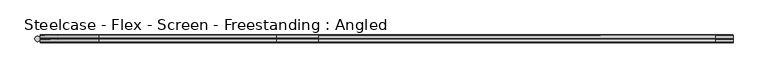
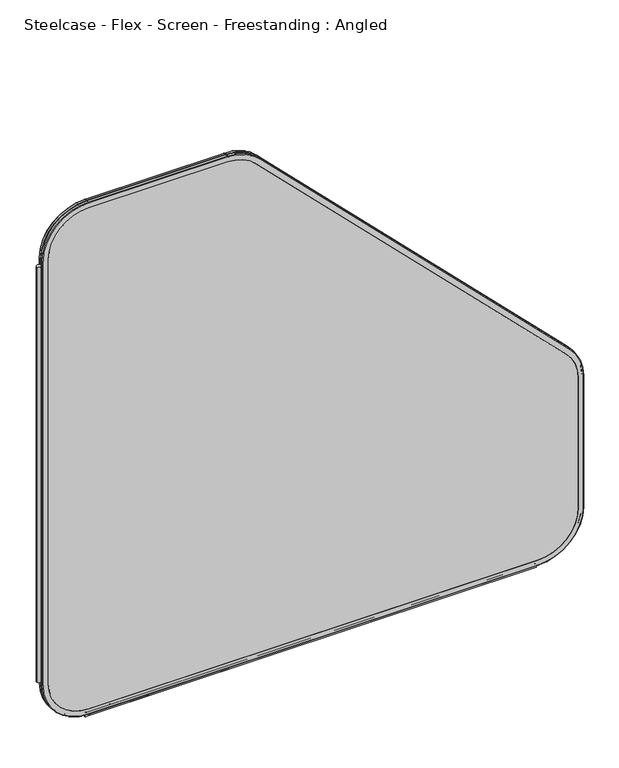
"""IFC4 building model written with IfcOpenShell, lengths in millimetres: furniture geometry, Steelcase - Flex - Screen - Freestanding : Angled."""

from ifc_helpers import new_model, si_unit, point, frame, frame_2d, origin, place, context, project, spatial, polyline, circle_curve, ellipse_curve, trimmed, segment, composite_curve, outline, extrude, source, transform, mapped, element, save
from ifc_brep_helpers import plane_surface, cylinder_surface, revolved_surface, advanced_brep


def steelcase_flex_screen_freestanding_angled_922b77e2(model_context):
    return source(origin(), model_context, "Body", "SolidModel", [
        extrude(outline(composite_curve([segment(trimmed(circle_curve(frame_2d((4.5307839, 0.0)), 4.572), [point((-0.0412161, 0.0))], [point((9.1027839, 0.0))], False, "CARTESIAN"), True, "CONTINUOUS"), segment(trimmed(circle_curve(frame_2d((4.5307839, 0.0)), 4.572), [point((9.1027839, 0.0))], [point((-0.0412161, 0.0))], False, "CARTESIAN"), True, "CONTINUOUS")], self_intersect=False)), frame((0.0, 0.0, 115.57), z_axis=(0.0, 0.0, 1.0), x_axis=(1.0, 0.0, 0.0)), (0.0, 0.0, 1.0), 969.9585855),
        advanced_brep(
        [(110.7653521, -5.9845715, 4.9996464), (110.7653521, -6.858, 5.8730749), (10.0387806, -6.858, 106.5996464), (9.1653521, -5.9845715, 106.5996464), (110.7653521, -0.762, 4.9996464), (9.1653521, -0.762, 106.5996464), (110.7653521, 0.0, 5.7616464), (9.9273521, 0.0, 106.5996464), (110.7653521, -6.858, 17.6996464), (110.7653521, 0.0, 17.6996464), (21.8653521, 0.0, 106.5996464), (21.8653521, -6.858, 106.5996464), (1103.6053316, -5.9845715, 4.9996464), (1103.6053316, -6.858, 5.8730749), (1103.6053316, -0.762, 4.9996464), (1103.6053316, 0.0, 5.7616464), (1103.6053316, -6.858, 17.6996464), (1103.6053316, 0.0, 17.6996464), (1205.2053316, -5.9845715, 106.5996464), (1204.3319031, -6.858, 106.5996464), (1205.2053316, -0.762, 106.5996464), (1204.4433316, 0.0, 106.5996464), (1192.5053316, -6.858, 106.5996464), (1192.5053316, 0.0, 106.5996464), (1205.2053316, -5.9845715, 413.7098783), (1204.3319031, -6.858, 413.7098783), (1205.2053316, -0.762, 413.7098783), (1204.4433316, 0.0, 413.7098783), (1192.5053316, -6.858, 413.7098783), (1192.5053316, 0.0, 413.7098783), (1175.4473806, -5.9845715, 485.5519272), (1174.8297734, -6.858, 484.93432), (1175.4473806, -0.762, 485.5519272), (1174.9085652, 0.0, 485.0131119), (1166.4671245, -6.858, 476.5716711), (1166.4671245, 0.0, 476.5716711), (489.6586733, -5.9845715, 1171.3406345), (489.0410661, -6.858, 1170.7230273), (489.6586733, -0.762, 1171.3406345), (489.119858, 0.0, 1170.8018191), (480.6784172, -6.858, 1162.3603784), (480.6784172, 0.0, 1162.3603784), (417.8166244, -5.9845715, 1201.0985855), (417.8166244, -6.858, 1200.225157), (417.8166244, -0.762, 1201.0985855), (417.8166244, 0.0, 1200.3365855), (417.8166244, -6.858, 1188.3985855), (417.8166244, 0.0, 1188.3985855), (110.7653521, -5.9845715, 1201.0985855), (110.7653521, -6.858, 1200.225157), (110.7653521, -0.762, 1201.0985855), (110.7653521, 0.0, 1200.3365855), (110.7653521, -6.858, 1188.3985855), (110.7653521, 0.0, 1188.3985855), (9.1653521, -5.9845715, 1099.4985855), (10.0387806, -6.858, 1099.4985855), (9.1653521, -0.762, 1099.4985855), (9.9273521, 0.0, 1099.4985855), (21.8653521, -6.858, 1099.4985855), (21.8653521, 0.0, 1099.4985855)],
        [
            (0, 1, circle_curve(frame((110.7653521, -5.9845715, 5.8730749), z_axis=(-1.0, 0.0, 0.0), x_axis=(0.0, 1.0, 0.0)), 0.8734285)),
            (1, 2, circle_curve(frame((110.7653521, -6.858, 106.5996464), z_axis=(0.0, 1.0, 0.0), x_axis=(-1.0, 0.0, 0.0)), 100.7265715)),
            (2, 3, circle_curve(frame((10.0387806, -5.9845715, 106.5996464), z_axis=(0.0, 0.0, -1.0), x_axis=(0.0, 1.0, 0.0)), 0.8734285)),
            (3, 0, circle_curve(frame((110.7653521, -5.9845715, 106.5996464), z_axis=(0.0, -1.0, 0.0), x_axis=(-1.0, 0.0, 0.0)), 101.6)),
            (4, 0),
            (3, 5),
            (5, 4, circle_curve(frame((110.7653521, -0.762, 106.5996464), z_axis=(0.0, -1.0, 0.0), x_axis=(-1.0, 0.0, 0.0)), 101.6)),
            (6, 4, circle_curve(frame((110.7653521, -0.762, 5.7616464), z_axis=(-1.0, 0.0, 0.0), x_axis=(0.0, 1.0, 0.0)), 0.762)),
            (5, 7, circle_curve(frame((9.9273521, -0.762, 106.5996464), z_axis=(0.0, 0.0, -1.0), x_axis=(0.0, 1.0, 0.0)), 0.762)),
            (7, 6, circle_curve(frame((110.7653521, 0.0, 106.5996464), z_axis=(0.0, -1.0, 0.0), x_axis=(-1.0, 0.0, 0.0)), 100.838)),
            (8, 9),
            (9, 10, circle_curve(frame((110.7653521, 0.0, 106.5996464), z_axis=(0.0, 1.0, 0.0), x_axis=(-1.0, 0.0, 0.0)), 88.9)),
            (10, 11),
            (11, 8, circle_curve(frame((110.7653521, -6.858, 106.5996464), z_axis=(0.0, -1.0, 0.0), x_axis=(-1.0, 0.0, 0.0)), 88.9)),
            (0, 12),
            (12, 13, circle_curve(frame((1103.6053316, -5.9845715, 5.8730749), z_axis=(-1.0, 0.0, 0.0), x_axis=(0.0, 1.0, 0.0)), 0.8734285)),
            (13, 1),
            (4, 14),
            (14, 12),
            (6, 15),
            (15, 14, circle_curve(frame((1103.6053316, -0.762, 5.7616464), z_axis=(-1.0, 0.0, 0.0), x_axis=(0.0, 1.0, 0.0)), 0.762)),
            (8, 16),
            (16, 17),
            (17, 9),
            (18, 19, circle_curve(frame((1204.3319031, -5.9845715, 106.5996464), z_axis=(0.0, 0.0, -1.0), x_axis=(0.0, 1.0, 0.0)), 0.8734285)),
            (19, 13, circle_curve(frame((1103.6053316, -6.858, 106.5996464), z_axis=(0.0, 1.0, 0.0), x_axis=(0.0, 0.0, -1.0)), 100.7265715)),
            (12, 18, circle_curve(frame((1103.6053316, -5.9845715, 106.5996464), z_axis=(0.0, -1.0, 0.0), x_axis=(0.0, 0.0, -1.0)), 101.6)),
            (20, 18),
            (14, 20, circle_curve(frame((1103.6053316, -0.762, 106.5996464), z_axis=(0.0, -1.0, 0.0), x_axis=(0.0, 0.0, -1.0)), 101.6)),
            (21, 20, circle_curve(frame((1204.4433316, -0.762, 106.5996464), z_axis=(0.0, 0.0, -1.0), x_axis=(0.0, 1.0, 0.0)), 0.762)),
            (15, 21, circle_curve(frame((1103.6053316, 0.0, 106.5996464), z_axis=(0.0, -1.0, 0.0), x_axis=(0.0, 0.0, -1.0)), 100.838)),
            (22, 23),
            (23, 17, circle_curve(frame((1103.6053316, 0.0, 106.5996464), z_axis=(0.0, 1.0, 0.0), x_axis=(0.0, 0.0, -1.0)), 88.9)),
            (16, 22, circle_curve(frame((1103.6053316, -6.858, 106.5996464), z_axis=(0.0, -1.0, 0.0), x_axis=(0.0, 0.0, -1.0)), 88.9)),
            (18, 24),
            (24, 25, circle_curve(frame((1204.3319031, -5.9845715, 413.7098783), z_axis=(0.0, 0.0, -1.0), x_axis=(0.0, 1.0, 0.0)), 0.8734285)),
            (25, 19),
            (20, 26),
            (26, 24),
            (21, 27),
            (27, 26, circle_curve(frame((1204.4433316, -0.762, 413.7098783), z_axis=(0.0, 0.0, -1.0), x_axis=(0.0, 1.0, 0.0)), 0.762)),
            (22, 28),
            (28, 29),
            (29, 23),
            (30, 31, circle_curve(frame((1174.8297734, -5.9845715, 484.93432), z_axis=(0.7071067811865452, 0.0, -0.7071067811865498), x_axis=(0.0, 1.0, 0.0)), 0.8734285)),
            (31, 25, circle_curve(frame((1103.6053316, -6.858, 413.7098783), z_axis=(0.0, 1.0, 0.0), x_axis=(1.0, 0.0, 0.0)), 100.7265715)),
            (24, 30, circle_curve(frame((1103.6053316, -5.9845715, 413.7098783), z_axis=(0.0, -1.0, 0.0), x_axis=(1.0, 0.0, 0.0)), 101.6)),
            (32, 30),
            (26, 32, circle_curve(frame((1103.6053316, -0.762, 413.7098783), z_axis=(0.0, -1.0, 0.0), x_axis=(1.0, 0.0, 0.0)), 101.6)),
            (33, 32, circle_curve(frame((1174.9085652, -0.762, 485.0131119), z_axis=(0.7071067811865459, 0.0, -0.7071067811865491), x_axis=(0.0, 1.0, 0.0)), 0.762)),
            (27, 33, circle_curve(frame((1103.6053316, 0.0, 413.7098783), z_axis=(0.0, -1.0, 0.0), x_axis=(1.0, 0.0, 0.0)), 100.838)),
            (34, 35),
            (35, 29, circle_curve(frame((1103.6053316, 0.0, 413.7098783), z_axis=(0.0, 1.0, 0.0), x_axis=(1.0, 0.0, 0.0)), 88.9)),
            (28, 34, circle_curve(frame((1103.6053316, -6.858, 413.7098783), z_axis=(0.0, -1.0, 0.0), x_axis=(1.0, 0.0, 0.0)), 88.9)),
            (30, 36),
            (36, 37, circle_curve(frame((489.0410661, -5.9845715, 1170.7230273), z_axis=(0.7071067811865461, 0.0, -0.7071067811865489), x_axis=(0.0, 1.0, 0.0)), 0.8734285)),
            (37, 31),
            (32, 38),
            (38, 36),
            (33, 39),
            (39, 38, circle_curve(frame((489.119858, -0.762, 1170.8018191), z_axis=(0.7071067811865461, 0.0, -0.7071067811865489), x_axis=(0.0, 1.0, 0.0)), 0.762)),
            (34, 40),
            (40, 41),
            (41, 35),
            (42, 43, circle_curve(frame((417.8166244, -5.9845715, 1200.225157), z_axis=(1.0, 0.0, 0.0), x_axis=(0.0, 1.0, 0.0)), 0.8734285)),
            (43, 37, circle_curve(frame((417.8166244, -6.858, 1099.4985855), z_axis=(0.0, 1.0, 0.0), x_axis=(0.7071067811865533, 0.0, 0.7071067811865417)), 100.7265715)),
            (36, 42, circle_curve(frame((417.8166244, -5.9845715, 1099.4985855), z_axis=(0.0, -1.0, 0.0), x_axis=(0.7071067811865533, 0.0, 0.7071067811865417)), 101.6)),
            (44, 42),
            (38, 44, circle_curve(frame((417.8166244, -0.762, 1099.4985855), z_axis=(0.0, -1.0, 0.0), x_axis=(0.7071067811865533, 0.0, 0.7071067811865417)), 101.6)),
            (45, 44, circle_curve(frame((417.8166244, -0.762, 1200.3365855), z_axis=(1.0, 0.0, 0.0), x_axis=(0.0, 1.0, 0.0)), 0.762)),
            (39, 45, circle_curve(frame((417.8166244, 0.0, 1099.4985855), z_axis=(0.0, -1.0, 0.0), x_axis=(0.7071067811865533, 0.0, 0.7071067811865417)), 100.838)),
            (46, 47),
            (47, 41, circle_curve(frame((417.8166244, 0.0, 1099.4985855), z_axis=(0.0, 1.0, 0.0), x_axis=(0.7071067811865533, 0.0, 0.7071067811865417)), 88.9)),
            (40, 46, circle_curve(frame((417.8166244, -6.858, 1099.4985855), z_axis=(0.0, -1.0, 0.0), x_axis=(0.7071067811865533, 0.0, 0.7071067811865417)), 88.9)),
            (42, 48),
            (48, 49, circle_curve(frame((110.7653521, -5.9845715, 1200.225157), z_axis=(1.0, 0.0, 0.0), x_axis=(0.0, 1.0, 0.0)), 0.8734285)),
            (49, 43),
            (44, 50),
            (50, 48),
            (45, 51),
            (51, 50, circle_curve(frame((110.7653521, -0.762, 1200.3365855), z_axis=(1.0, 0.0, 0.0), x_axis=(0.0, 1.0, 0.0)), 0.762)),
            (46, 52),
            (52, 53),
            (53, 47),
            (54, 55, circle_curve(frame((10.0387806, -5.9845715, 1099.4985855), z_axis=(0.0, 0.0, 1.0), x_axis=(0.0, 1.0, 0.0)), 0.8734285)),
            (55, 49, circle_curve(frame((110.7653521, -6.858, 1099.4985855), z_axis=(0.0, 1.0, 0.0), x_axis=(0.0, 0.0, 1.0)), 100.7265715)),
            (48, 54, circle_curve(frame((110.7653521, -5.9845715, 1099.4985855), z_axis=(0.0, -1.0, 0.0), x_axis=(0.0, 0.0, 1.0)), 101.6)),
            (56, 54),
            (50, 56, circle_curve(frame((110.7653521, -0.762, 1099.4985855), z_axis=(0.0, -1.0, 0.0), x_axis=(0.0, 0.0, 1.0)), 101.6)),
            (57, 56, circle_curve(frame((9.9273521, -0.762, 1099.4985855), z_axis=(0.0, 0.0, 1.0), x_axis=(0.0, 1.0, 0.0)), 0.762)),
            (51, 57, circle_curve(frame((110.7653521, 0.0, 1099.4985855), z_axis=(0.0, -1.0, 0.0), x_axis=(0.0, 0.0, 1.0)), 100.838)),
            (58, 59),
            (59, 53, circle_curve(frame((110.7653521, 0.0, 1099.4985855), z_axis=(0.0, 1.0, 0.0), x_axis=(0.0, 0.0, 1.0)), 88.9)),
            (52, 58, circle_curve(frame((110.7653521, -6.858, 1099.4985855), z_axis=(0.0, -1.0, 0.0), x_axis=(0.0, 0.0, 1.0)), 88.9)),
            (55, 2),
            (11, 58),
            (54, 3),
            (56, 5),
            (57, 7),
            (59, 10),
        ],
        [
            revolved_surface(trimmed(ellipse_curve(frame((10.0387806, -5.9845715, 106.5996464), z_axis=(0.0, 0.0, -1.0), x_axis=(0.0, 1.0, 0.0)), 0.8734285, 0.8734285), [point((10.0387806, -6.858, 106.5996464))], [point((9.1653521, -5.9845715, 106.5996464))], True, "CARTESIAN"), (110.7653521, 0.0, 106.5996464), (0.0, 1.0, 0.0)),
            cylinder_surface(frame((110.7653521, 0.0, 106.5996464), z_axis=(0.0, 1.0, 0.0), x_axis=(-1.0, 0.0, 0.0)), 101.6),
            revolved_surface(trimmed(ellipse_curve(frame((9.9273521, -0.762, 106.5996464), z_axis=(0.0, 0.0, -1.0), x_axis=(0.0, 1.0, 0.0)), 0.762, 0.762), [point((9.1653521, -0.762, 106.5996464))], [point((9.9273521, 0.0, 106.5996464))], True, "CARTESIAN"), (110.7653521, 0.0, 106.5996464), (0.0, 1.0, 0.0)),
            revolved_surface(polyline([(21.865352099999996, 0.0, 106.5996464), (21.865352099999996, -6.858, 106.5996464)]), (110.7653521, 0.0, 106.5996464), (0.0, 1.0, 0.0)),
            cylinder_surface(frame((110.7653521, -5.9845715, 5.8730749), z_axis=(-1.0, 0.0, 0.0), x_axis=(0.0, 1.0, 0.0)), 0.8734285),
            plane_surface(frame((110.7653521, -5.9845715, 4.9996464), z_axis=(0.0, 0.0, -1.0), x_axis=(1.0, 0.0, 0.0))),
            cylinder_surface(frame((110.7653521, -0.762, 5.7616464), z_axis=(-1.0, 0.0, 0.0), x_axis=(0.0, 1.0, 0.0)), 0.762),
            plane_surface(frame((110.7653521, 0.0, 17.6996464), z_axis=(0.0, 0.0, 1.0), x_axis=(1.0, 0.0, 0.0))),
            revolved_surface(trimmed(ellipse_curve(frame((1103.6053316, -5.9845715, 5.8730749), z_axis=(1.0, 0.0, 0.0), x_axis=(0.0, 1.0, 0.0)), 0.8734285, 0.8734285), [point((1103.6053316, -6.858, 5.8730749))], [point((1103.6053316, -5.9845715, 4.9996464))], True, "CARTESIAN"), (1103.6053316, 0.0, 106.5996464), (0.0, 1.0, 0.0)),
            cylinder_surface(frame((1103.6053316, 0.0, 106.5996464), z_axis=(0.0, 1.0, 0.0), x_axis=(0.0, 0.0, -1.0)), 101.6),
            revolved_surface(trimmed(ellipse_curve(frame((1103.6053316, -0.762, 5.7616464), z_axis=(1.0, 0.0, 0.0), x_axis=(0.0, 1.0, 0.0)), 0.762, 0.762), [point((1103.6053316, -0.762, 4.9996464))], [point((1103.6053316, 0.0, 5.7616464))], True, "CARTESIAN"), (1103.6053316, 0.0, 106.5996464), (0.0, 1.0, 0.0)),
            revolved_surface(polyline([(1103.6053316, 0.0, 17.699646399999992), (1103.6053316, -6.858, 17.699646399999992)]), (1103.6053316, 0.0, 106.5996464), (0.0, 1.0, 0.0)),
            cylinder_surface(frame((1204.3319031, -5.9845715, 106.5996464), z_axis=(0.0, 0.0, -1.0), x_axis=(0.0, 1.0, 0.0)), 0.8734285),
            plane_surface(frame((1205.2053316, -5.9845715, 106.5996464), z_axis=(1.0, 0.0, 0.0), x_axis=(0.0, 0.0, 1.0))),
            cylinder_surface(frame((1204.4433316, -0.762, 106.5996464), z_axis=(0.0, 0.0, -1.0), x_axis=(0.0, 1.0, 0.0)), 0.762),
            plane_surface(frame((1192.5053316, 0.0, 106.5996464), z_axis=(-1.0, 0.0, 0.0), x_axis=(0.0, 0.0, 1.0))),
            revolved_surface(trimmed(ellipse_curve(frame((1204.3319031, -5.9845715, 413.7098783), z_axis=(0.0, 0.0, 1.0), x_axis=(0.0, 1.0, 0.0)), 0.8734285, 0.8734285), [point((1204.3319031, -6.858, 413.7098783))], [point((1205.2053316, -5.9845715, 413.7098783))], True, "CARTESIAN"), (1103.6053316, 0.0, 413.7098783), (0.0, 1.0, 0.0)),
            cylinder_surface(frame((1103.6053316, 0.0, 413.7098783), z_axis=(0.0, 1.0, 0.0), x_axis=(1.0, 0.0, 0.0)), 101.6),
            revolved_surface(trimmed(ellipse_curve(frame((1204.4433316, -0.762, 413.7098783), z_axis=(0.0, 0.0, 1.0), x_axis=(0.0, 1.0, 0.0)), 0.762, 0.762), [point((1205.2053316, -0.762, 413.7098783))], [point((1204.4433316, 0.0, 413.7098783))], True, "CARTESIAN"), (1103.6053316, 0.0, 413.7098783), (0.0, 1.0, 0.0)),
            revolved_surface(polyline([(1192.5053316, 0.0, 413.7098783), (1192.5053316, -6.858, 413.7098783)]), (1103.6053316, 0.0, 413.7098783), (0.0, 1.0, 0.0)),
            cylinder_surface(frame((1174.8297734, -5.9845715, 484.93432), z_axis=(0.7071067811865461, 0.0, -0.7071067811865489), x_axis=(0.0, 1.0, 0.0)), 0.8734285),
            plane_surface(frame((1175.4473806, -5.9845715, 485.5519272), z_axis=(0.7071067811865491, 0.0, 0.707106781186546), x_axis=(-0.707106781186546, 0.0, 0.7071067811865491))),
            cylinder_surface(frame((1174.9085652, -0.762, 485.0131119), z_axis=(0.7071067811865461, 0.0, -0.7071067811865489), x_axis=(0.0, 1.0, 0.0)), 0.762),
            plane_surface(frame((1166.4671245, 0.0, 476.5716711), z_axis=(-0.7071067811865491, 0.0, -0.7071067811865459), x_axis=(-0.7071067811865459, 0.0, 0.7071067811865491))),
            revolved_surface(trimmed(ellipse_curve(frame((489.0410661, -5.9845715, 1170.7230273), z_axis=(-0.7071067811865419, 0.0, 0.7071067811865531), x_axis=(0.0, 1.0, 0.0)), 0.8734285, 0.8734285), [point((489.0410661, -6.858, 1170.7230273))], [point((489.6586733, -5.9845715, 1171.3406345))], True, "CARTESIAN"), (417.8166244, 0.0, 1099.4985855), (0.0, 1.0, 0.0)),
            cylinder_surface(frame((417.8166244, 0.0, 1099.4985855), z_axis=(0.0, 1.0, 0.0), x_axis=(0.7071067811865533, 0.0, 0.7071067811865417)), 101.6),
            revolved_surface(trimmed(ellipse_curve(frame((489.119858, -0.762, 1170.8018191), z_axis=(-0.7071067811865419, 0.0, 0.7071067811865531), x_axis=(0.0, 1.0, 0.0)), 0.762, 0.762), [point((489.6586733, -0.762, 1171.3406345))], [point((489.119858, 0.0, 1170.8018191))], True, "CARTESIAN"), (417.8166244, 0.0, 1099.4985855), (0.0, 1.0, 0.0)),
            revolved_surface(polyline([(480.6784172474846, 0.0, 1162.3603783474834), (480.6784172474846, -6.858, 1162.3603783474834)]), (417.8166244, 0.0, 1099.4985855), (0.0, 1.0, 0.0)),
            cylinder_surface(frame((417.8166244, -5.9845715, 1200.225157), z_axis=(1.0, 0.0, 0.0), x_axis=(0.0, 1.0, 0.0)), 0.8734285),
            plane_surface(frame((417.8166244, -5.9845715, 1201.0985855), z_axis=(0.0, 0.0, 1.0), x_axis=(-1.0, 0.0, 0.0))),
            cylinder_surface(frame((417.8166244, -0.762, 1200.3365855), z_axis=(1.0, 0.0, 0.0), x_axis=(0.0, 1.0, 0.0)), 0.762),
            plane_surface(frame((417.8166244, 0.0, 1188.3985855), z_axis=(0.0, 0.0, -1.0), x_axis=(-1.0, 0.0, 0.0))),
            revolved_surface(trimmed(ellipse_curve(frame((110.7653521, -5.9845715, 1200.225157), z_axis=(-1.0, 0.0, 0.0), x_axis=(0.0, 1.0, 0.0)), 0.8734285, 0.8734285), [point((110.7653521, -6.858, 1200.225157))], [point((110.7653521, -5.9845715, 1201.0985855))], True, "CARTESIAN"), (110.7653521, 0.0, 1099.4985855), (0.0, 1.0, 0.0)),
            cylinder_surface(frame((110.7653521, 0.0, 1099.4985855), z_axis=(0.0, 1.0, 0.0), x_axis=(0.0, 0.0, 1.0)), 101.6),
            revolved_surface(trimmed(ellipse_curve(frame((110.7653521, -0.762, 1200.3365855), z_axis=(-1.0, 0.0, 0.0), x_axis=(0.0, 1.0, 0.0)), 0.762, 0.762), [point((110.7653521, -0.762, 1201.0985855))], [point((110.7653521, 0.0, 1200.3365855))], True, "CARTESIAN"), (110.7653521, 0.0, 1099.4985855), (0.0, 1.0, 0.0)),
            revolved_surface(polyline([(110.7653521, 0.0, 1188.3985855), (110.7653521, -6.858, 1188.3985855)]), (110.7653521, 0.0, 1099.4985855), (0.0, 1.0, 0.0)),
            plane_surface(frame((21.8653521, -6.858, 1099.4985855), z_axis=(0.0, -1.0, 0.0), x_axis=(0.0, 0.0, -1.0))),
            cylinder_surface(frame((10.0387806, -5.9845715, 1099.4985855), z_axis=(0.0, 0.0, 1.0), x_axis=(0.0, 1.0, 0.0)), 0.8734285),
            plane_surface(frame((9.1653521, -5.9845715, 1099.4985855), z_axis=(-1.0, 0.0, 0.0), x_axis=(0.0, 0.0, -1.0))),
            cylinder_surface(frame((9.9273521, -0.762, 1099.4985855), z_axis=(0.0, 0.0, 1.0), x_axis=(0.0, 1.0, 0.0)), 0.762),
            plane_surface(frame((9.9273521, 0.0, 1099.4985855), z_axis=(0.0, 1.0, 0.0), x_axis=(0.0, 0.0, -1.0))),
            plane_surface(frame((21.8653521, 0.0, 1099.4985855), z_axis=(1.0, 0.0, 0.0), x_axis=(0.0, 0.0, -1.0))),
        ],
        [
            (0, [[1, 2, 3, 4]]),
            (1, [[5, -4, 6, 7]]),
            (2, [[8, -7, 9, 10]]),
            (3, [[11, 12, 13, 14]]),
            (4, [[15, 16, 17, -1]]),
            (5, [[18, 19, -15, -5]]),
            (6, [[20, 21, -18, -8]]),
            (7, [[22, 23, 24, -11]]),
            (8, [[25, 26, -16, 27]]),
            (9, [[28, -27, -19, 29]]),
            (10, [[30, -29, -21, 31]]),
            (11, [[32, 33, -23, 34]]),
            (12, [[35, 36, 37, -25]]),
            (13, [[38, 39, -35, -28]]),
            (14, [[40, 41, -38, -30]]),
            (15, [[42, 43, 44, -32]]),
            (16, [[45, 46, -36, 47]]),
            (17, [[48, -47, -39, 49]]),
            (18, [[50, -49, -41, 51]]),
            (19, [[52, 53, -43, 54]]),
            (20, [[55, 56, 57, -45]]),
            (21, [[58, 59, -55, -48]]),
            (22, [[60, 61, -58, -50]]),
            (23, [[62, 63, 64, -52]]),
            (24, [[65, 66, -56, 67]]),
            (25, [[68, -67, -59, 69]]),
            (26, [[70, -69, -61, 71]]),
            (27, [[72, 73, -63, 74]]),
            (28, [[75, 76, 77, -65]]),
            (29, [[78, 79, -75, -68]]),
            (30, [[80, 81, -78, -70]]),
            (31, [[82, 83, 84, -72]]),
            (32, [[85, 86, -76, 87]]),
            (33, [[88, -87, -79, 89]]),
            (34, [[90, -89, -81, 91]]),
            (35, [[92, 93, -83, 94]]),
            (36, [[-2, -17, -26, -37, -46, -57, -66, -77, -86, 95], [-74, -62, -54, -42, -34, -22, -14, 96, -94, -82]]),
            (37, [[97, -3, -95, -85]]),
            (38, [[98, -6, -97, -88]]),
            (39, [[99, -9, -98, -90]]),
            (40, [[-71, -60, -51, -40, -31, -20, -10, -99, -91, -80], [-12, -24, -33, -44, -53, -64, -73, -84, -93, 100]]),
            (41, [[-96, -13, -100, -92]]),
        ],
    ),
        advanced_brep(
        [(110.7653521, 0.762, 4.9996464), (110.7653521, 0.0, 5.7616464), (9.9273521, 0.0, 106.5996464), (9.1653521, 0.762, 106.5996464), (110.7653521, 6.096, 4.9996464), (9.1653521, 6.096, 106.5996464), (110.7653521, 6.858, 5.7616464), (9.9273521, 6.858, 106.5996464), (110.7653521, 0.0, 17.6996464), (110.7653521, 6.858, 17.6996464), (21.8653521, 6.858, 106.5996464), (21.8653521, 0.0, 106.5996464), (1103.6053316, 0.762, 4.9996464), (1103.6053316, 0.0, 5.7616464), (1103.6053316, 6.096, 4.9996464), (1103.6053316, 6.858, 5.7616464), (1103.6053316, 0.0, 17.6996464), (1103.6053316, 6.858, 17.6996464), (1205.2053316, 0.762, 106.5996464), (1204.4433316, 0.0, 106.5996464), (1205.2053316, 6.096, 106.5996464), (1204.4433316, 6.858, 106.5996464), (1192.5053316, 0.0, 106.5996464), (1192.5053316, 6.858, 106.5996464), (1205.2053316, 0.762, 413.7098783), (1204.4433316, 0.0, 413.7098783), (1205.2053316, 6.096, 413.7098783), (1204.4433316, 6.858, 413.7098783), (1192.5053316, 0.0, 413.7098783), (1192.5053316, 6.858, 413.7098783), (1175.4473806, 0.762, 485.5519272), (1174.9085652, 0.0, 485.0131119), (1175.4473806, 6.096, 485.5519272), (1174.9085652, 6.858, 485.0131119), (1166.4671245, 0.0, 476.5716711), (1166.4671245, 6.858, 476.5716711), (489.6586733, 0.762, 1171.3406345), (489.119858, 0.0, 1170.8018191), (489.6586733, 6.096, 1171.3406345), (489.119858, 6.858, 1170.8018191), (480.6784172, 0.0, 1162.3603784), (480.6784172, 6.858, 1162.3603784), (417.8166244, 0.762, 1201.0985855), (417.8166244, 0.0, 1200.3365855), (417.8166244, 6.096, 1201.0985855), (417.8166244, 6.858, 1200.3365855), (417.8166244, 0.0, 1188.3985855), (417.8166244, 6.858, 1188.3985855), (110.7653521, 0.762, 1201.0985855), (110.7653521, 0.0, 1200.3365855), (110.7653521, 6.096, 1201.0985855), (110.7653521, 6.858, 1200.3365855), (110.7653521, 0.0, 1188.3985855), (110.7653521, 6.858, 1188.3985855), (9.1653521, 0.762, 1099.4985855), (9.9273521, 0.0, 1099.4985855), (9.1653521, 6.096, 1099.4985855), (9.9273521, 6.858, 1099.4985855), (21.8653521, 0.0, 1099.4985855), (21.8653521, 6.858, 1099.4985855)],
        [
            (0, 1, circle_curve(frame((110.7653521, 0.762, 5.7616464), z_axis=(-1.0, 0.0, 0.0), x_axis=(0.0, 1.0, 0.0)), 0.762)),
            (1, 2, circle_curve(frame((110.7653521, 0.0, 106.5996464), z_axis=(0.0, 1.0, 0.0), x_axis=(-1.0, 0.0, 0.0)), 100.838)),
            (2, 3, circle_curve(frame((9.9273521, 0.762, 106.5996464), z_axis=(0.0, 0.0, -1.0), x_axis=(0.0, 1.0, 0.0)), 0.762)),
            (3, 0, circle_curve(frame((110.7653521, 0.762, 106.5996464), z_axis=(0.0, -1.0, 0.0), x_axis=(-1.0, 0.0, 0.0)), 101.6)),
            (4, 0),
            (3, 5),
            (5, 4, circle_curve(frame((110.7653521, 6.096, 106.5996464), z_axis=(0.0, -1.0, 0.0), x_axis=(-1.0, 0.0, 0.0)), 101.6)),
            (6, 4, circle_curve(frame((110.7653521, 6.096, 5.7616464), z_axis=(-1.0, 0.0, 0.0), x_axis=(0.0, 1.0, 0.0)), 0.762)),
            (5, 7, circle_curve(frame((9.9273521, 6.096, 106.5996464), z_axis=(0.0, 0.0, -1.0), x_axis=(0.0, 1.0, 0.0)), 0.762)),
            (7, 6, circle_curve(frame((110.7653521, 6.858, 106.5996464), z_axis=(0.0, -1.0, 0.0), x_axis=(-1.0, 0.0, 0.0)), 100.838)),
            (8, 9),
            (9, 10, circle_curve(frame((110.7653521, 6.858, 106.5996464), z_axis=(0.0, 1.0, 0.0), x_axis=(-1.0, 0.0, 0.0)), 88.9)),
            (10, 11),
            (11, 8, circle_curve(frame((110.7653521, 0.0, 106.5996464), z_axis=(0.0, -1.0, 0.0), x_axis=(-1.0, 0.0, 0.0)), 88.9)),
            (0, 12),
            (12, 13, circle_curve(frame((1103.6053316, 0.762, 5.7616464), z_axis=(-1.0, 0.0, 0.0), x_axis=(0.0, 1.0, 0.0)), 0.762)),
            (13, 1),
            (4, 14),
            (14, 12),
            (6, 15),
            (15, 14, circle_curve(frame((1103.6053316, 6.096, 5.7616464), z_axis=(-1.0, 0.0, 0.0), x_axis=(0.0, 1.0, 0.0)), 0.762)),
            (8, 16),
            (16, 17),
            (17, 9),
            (18, 19, circle_curve(frame((1204.4433316, 0.762, 106.5996464), z_axis=(0.0, 0.0, -1.0), x_axis=(0.0, 1.0, 0.0)), 0.762)),
            (19, 13, circle_curve(frame((1103.6053316, 0.0, 106.5996464), z_axis=(0.0, 1.0, 0.0), x_axis=(0.0, 0.0, -1.0)), 100.838)),
            (12, 18, circle_curve(frame((1103.6053316, 0.762, 106.5996464), z_axis=(0.0, -1.0, 0.0), x_axis=(0.0, 0.0, -1.0)), 101.6)),
            (20, 18),
            (14, 20, circle_curve(frame((1103.6053316, 6.096, 106.5996464), z_axis=(0.0, -1.0, 0.0), x_axis=(0.0, 0.0, -1.0)), 101.6)),
            (21, 20, circle_curve(frame((1204.4433316, 6.096, 106.5996464), z_axis=(0.0, 0.0, -1.0), x_axis=(0.0, 1.0, 0.0)), 0.762)),
            (15, 21, circle_curve(frame((1103.6053316, 6.858, 106.5996464), z_axis=(0.0, -1.0, 0.0), x_axis=(0.0, 0.0, -1.0)), 100.838)),
            (22, 23),
            (23, 17, circle_curve(frame((1103.6053316, 6.858, 106.5996464), z_axis=(0.0, 1.0, 0.0), x_axis=(0.0, 0.0, -1.0)), 88.9)),
            (16, 22, circle_curve(frame((1103.6053316, 0.0, 106.5996464), z_axis=(0.0, -1.0, 0.0), x_axis=(0.0, 0.0, -1.0)), 88.9)),
            (18, 24),
            (24, 25, circle_curve(frame((1204.4433316, 0.762, 413.7098783), z_axis=(0.0, 0.0, -1.0), x_axis=(0.0, 1.0, 0.0)), 0.762)),
            (25, 19),
            (20, 26),
            (26, 24),
            (21, 27),
            (27, 26, circle_curve(frame((1204.4433316, 6.096, 413.7098783), z_axis=(0.0, 0.0, -1.0), x_axis=(0.0, 1.0, 0.0)), 0.762)),
            (22, 28),
            (28, 29),
            (29, 23),
            (30, 31, circle_curve(frame((1174.9085652, 0.762, 485.0131119), z_axis=(0.7071067811865449, 0.0, -0.7071067811865501), x_axis=(0.0, 1.0, 0.0)), 0.762)),
            (31, 25, circle_curve(frame((1103.6053316, 0.0, 413.7098783), z_axis=(0.0, 1.0, 0.0), x_axis=(1.0, 0.0, 0.0)), 100.838)),
            (24, 30, circle_curve(frame((1103.6053316, 0.762, 413.7098783), z_axis=(0.0, -1.0, 0.0), x_axis=(1.0, 0.0, 0.0)), 101.6)),
            (32, 30),
            (26, 32, circle_curve(frame((1103.6053316, 6.096, 413.7098783), z_axis=(0.0, -1.0, 0.0), x_axis=(1.0, 0.0, 0.0)), 101.6)),
            (33, 32, circle_curve(frame((1174.9085652, 6.096, 485.0131119), z_axis=(0.7071067811865452, 0.0, -0.7071067811865498), x_axis=(0.0, 1.0, 0.0)), 0.762)),
            (27, 33, circle_curve(frame((1103.6053316, 6.858, 413.7098783), z_axis=(0.0, -1.0, 0.0), x_axis=(1.0, 0.0, 0.0)), 100.838)),
            (34, 35),
            (35, 29, circle_curve(frame((1103.6053316, 6.858, 413.7098783), z_axis=(0.0, 1.0, 0.0), x_axis=(1.0, 0.0, 0.0)), 88.9)),
            (28, 34, circle_curve(frame((1103.6053316, 0.0, 413.7098783), z_axis=(0.0, -1.0, 0.0), x_axis=(1.0, 0.0, 0.0)), 88.9)),
            (30, 36),
            (36, 37, circle_curve(frame((489.119858, 0.762, 1170.8018191), z_axis=(0.7071067811865462, 0.0, -0.707106781186549), x_axis=(0.0, 1.0, 0.0)), 0.762)),
            (37, 31),
            (32, 38),
            (38, 36),
            (33, 39),
            (39, 38, circle_curve(frame((489.119858, 6.096, 1170.8018191), z_axis=(0.7071067811865462, 0.0, -0.707106781186549), x_axis=(0.0, 1.0, 0.0)), 0.762)),
            (34, 40),
            (40, 41),
            (41, 35),
            (42, 43, circle_curve(frame((417.8166244, 0.762, 1200.3365855), z_axis=(0.9999999999999999, 0.0, 0.0), x_axis=(0.0, 1.0, 0.0)), 0.762)),
            (43, 37, circle_curve(frame((417.8166244, 0.0, 1099.4985855), z_axis=(0.0, 1.0, 0.0), x_axis=(0.7071067811865546, 0.0, 0.7071067811865404)), 100.838)),
            (36, 42, circle_curve(frame((417.8166244, 0.762, 1099.4985855), z_axis=(0.0, -1.0, 0.0), x_axis=(0.7071067811865546, 0.0, 0.7071067811865404)), 101.6)),
            (44, 42),
            (38, 44, circle_curve(frame((417.8166244, 6.096, 1099.4985855), z_axis=(0.0, -1.0, 0.0), x_axis=(0.7071067811865546, 0.0, 0.7071067811865404)), 101.6)),
            (45, 44, circle_curve(frame((417.8166244, 6.096, 1200.3365855), z_axis=(0.9999999999999999, 0.0, 0.0), x_axis=(0.0, 1.0, 0.0)), 0.762)),
            (39, 45, circle_curve(frame((417.8166244, 6.858, 1099.4985855), z_axis=(0.0, -1.0, 0.0), x_axis=(0.7071067811865546, 0.0, 0.7071067811865404)), 100.838)),
            (46, 47),
            (47, 41, circle_curve(frame((417.8166244, 6.858, 1099.4985855), z_axis=(0.0, 1.0, 0.0), x_axis=(0.7071067811865546, 0.0, 0.7071067811865404)), 88.9)),
            (40, 46, circle_curve(frame((417.8166244, 0.0, 1099.4985855), z_axis=(0.0, -1.0, 0.0), x_axis=(0.7071067811865546, 0.0, 0.7071067811865404)), 88.9)),
            (42, 48),
            (48, 49, circle_curve(frame((110.7653521, 0.762, 1200.3365855), z_axis=(1.0, 0.0, 0.0), x_axis=(0.0, 1.0, 0.0)), 0.762)),
            (49, 43),
            (44, 50),
            (50, 48),
            (45, 51),
            (51, 50, circle_curve(frame((110.7653521, 6.096, 1200.3365855), z_axis=(1.0, 0.0, 0.0), x_axis=(0.0, 1.0, 0.0)), 0.762)),
            (46, 52),
            (52, 53),
            (53, 47),
            (54, 55, circle_curve(frame((9.9273521, 0.762, 1099.4985855), z_axis=(0.0, 0.0, 1.0), x_axis=(0.0, 1.0, 0.0)), 0.762)),
            (55, 49, circle_curve(frame((110.7653521, 0.0, 1099.4985855), z_axis=(0.0, 1.0, 0.0), x_axis=(0.0, 0.0, 1.0)), 100.838)),
            (48, 54, circle_curve(frame((110.7653521, 0.762, 1099.4985855), z_axis=(0.0, -1.0, 0.0), x_axis=(0.0, 0.0, 1.0)), 101.6)),
            (56, 54),
            (50, 56, circle_curve(frame((110.7653521, 6.096, 1099.4985855), z_axis=(0.0, -1.0, 0.0), x_axis=(0.0, 0.0, 1.0)), 101.6)),
            (57, 56, circle_curve(frame((9.9273521, 6.096, 1099.4985855), z_axis=(0.0, 0.0, 1.0), x_axis=(0.0, 1.0, 0.0)), 0.762)),
            (51, 57, circle_curve(frame((110.7653521, 6.858, 1099.4985855), z_axis=(0.0, -1.0, 0.0), x_axis=(0.0, 0.0, 1.0)), 100.838)),
            (58, 59),
            (59, 53, circle_curve(frame((110.7653521, 6.858, 1099.4985855), z_axis=(0.0, 1.0, 0.0), x_axis=(0.0, 0.0, 1.0)), 88.9)),
            (52, 58, circle_curve(frame((110.7653521, 0.0, 1099.4985855), z_axis=(0.0, -1.0, 0.0), x_axis=(0.0, 0.0, 1.0)), 88.9)),
            (55, 2),
            (11, 58),
            (54, 3),
            (56, 5),
            (57, 7),
            (59, 10),
        ],
        [
            revolved_surface(trimmed(ellipse_curve(frame((9.9273521, 0.762, 106.5996464), z_axis=(0.0, 0.0, -1.0), x_axis=(0.0, 1.0, 0.0)), 0.762, 0.762), [point((9.9273521, 0.0, 106.5996464))], [point((9.1653521, 0.762, 106.5996464))], True, "CARTESIAN"), (110.7653521, 0.0, 106.5996464), (0.0, 1.0, 0.0)),
            cylinder_surface(frame((110.7653521, 0.0, 106.5996464), z_axis=(0.0, 1.0, 0.0), x_axis=(-1.0, 0.0, 0.0)), 101.6),
            revolved_surface(trimmed(ellipse_curve(frame((9.9273521, 6.096, 106.5996464), z_axis=(0.0, 0.0, -1.0), x_axis=(0.0, 1.0, 0.0)), 0.762, 0.762), [point((9.1653521, 6.096, 106.5996464))], [point((9.9273521, 6.858, 106.5996464))], True, "CARTESIAN"), (110.7653521, 0.0, 106.5996464), (0.0, 1.0, 0.0)),
            revolved_surface(polyline([(21.865352099999996, 6.858, 106.5996464), (21.865352099999996, 0.0, 106.5996464)]), (110.7653521, 0.0, 106.5996464), (0.0, 1.0, 0.0)),
            cylinder_surface(frame((110.7653521, 0.762, 5.7616464), z_axis=(-1.0, 0.0, 0.0), x_axis=(0.0, 1.0, 0.0)), 0.762),
            plane_surface(frame((110.7653521, 0.762, 4.9996464), z_axis=(0.0, 0.0, -1.0), x_axis=(1.0, 0.0, 0.0))),
            cylinder_surface(frame((110.7653521, 6.096, 5.7616464), z_axis=(-1.0, 0.0, 0.0), x_axis=(0.0, 1.0, 0.0)), 0.762),
            plane_surface(frame((110.7653521, 6.858, 17.6996464), z_axis=(0.0, 0.0, 1.0), x_axis=(1.0, 0.0, 0.0))),
            revolved_surface(trimmed(ellipse_curve(frame((1103.6053316, 0.762, 5.7616464), z_axis=(1.0, 0.0, 0.0), x_axis=(0.0, 1.0, 0.0)), 0.762, 0.762), [point((1103.6053316, 0.0, 5.7616464))], [point((1103.6053316, 0.762, 4.9996464))], True, "CARTESIAN"), (1103.6053316, 0.0, 106.5996464), (0.0, 1.0, 0.0)),
            cylinder_surface(frame((1103.6053316, 0.0, 106.5996464), z_axis=(0.0, 1.0, 0.0), x_axis=(0.0, 0.0, -1.0)), 101.6),
            revolved_surface(trimmed(ellipse_curve(frame((1103.6053316, 6.096, 5.7616464), z_axis=(1.0, 0.0, 0.0), x_axis=(0.0, 1.0, 0.0)), 0.762, 0.762), [point((1103.6053316, 6.096, 4.9996464))], [point((1103.6053316, 6.858, 5.7616464))], True, "CARTESIAN"), (1103.6053316, 0.0, 106.5996464), (0.0, 1.0, 0.0)),
            revolved_surface(polyline([(1103.6053316, 6.858, 17.699646399999992), (1103.6053316, 0.0, 17.699646399999992)]), (1103.6053316, 0.0, 106.5996464), (0.0, 1.0, 0.0)),
            cylinder_surface(frame((1204.4433316, 0.762, 106.5996464), z_axis=(0.0, 0.0, -1.0), x_axis=(0.0, 1.0, 0.0)), 0.762),
            plane_surface(frame((1205.2053316, 0.762, 106.5996464), z_axis=(1.0, 0.0, 0.0), x_axis=(0.0, 0.0, 1.0))),
            cylinder_surface(frame((1204.4433316, 6.096, 106.5996464), z_axis=(0.0, 0.0, -1.0), x_axis=(0.0, 1.0, 0.0)), 0.762),
            plane_surface(frame((1192.5053316, 6.858, 106.5996464), z_axis=(-1.0, 0.0, 0.0), x_axis=(0.0, 0.0, 1.0))),
            revolved_surface(trimmed(ellipse_curve(frame((1204.4433316, 0.762, 413.7098783), z_axis=(0.0, 0.0, 1.0), x_axis=(0.0, 1.0, 0.0)), 0.762, 0.762), [point((1204.4433316, 0.0, 413.7098783))], [point((1205.2053316, 0.762, 413.7098783))], True, "CARTESIAN"), (1103.6053316, 0.0, 413.7098783), (0.0, 1.0, 0.0)),
            cylinder_surface(frame((1103.6053316, 0.0, 413.7098783), z_axis=(0.0, 1.0, 0.0), x_axis=(1.0, 0.0, 0.0)), 101.6),
            revolved_surface(trimmed(ellipse_curve(frame((1204.4433316, 6.096, 413.7098783), z_axis=(0.0, 0.0, 1.0), x_axis=(0.0, 1.0, 0.0)), 0.762, 0.762), [point((1205.2053316, 6.096, 413.7098783))], [point((1204.4433316, 6.858, 413.7098783))], True, "CARTESIAN"), (1103.6053316, 0.0, 413.7098783), (0.0, 1.0, 0.0)),
            revolved_surface(polyline([(1192.5053316, 6.858, 413.7098783), (1192.5053316, 0.0, 413.7098783)]), (1103.6053316, 0.0, 413.7098783), (0.0, 1.0, 0.0)),
            cylinder_surface(frame((1174.9085652, 0.762, 485.0131119), z_axis=(0.7071067811865462, 0.0, -0.707106781186549), x_axis=(0.0, 1.0, 0.0)), 0.762),
            plane_surface(frame((1175.4473806, 0.762, 485.5519272), z_axis=(0.7071067811865491, 0.0, 0.707106781186546), x_axis=(-0.707106781186546, 0.0, 0.7071067811865491))),
            cylinder_surface(frame((1174.9085652, 6.096, 485.0131119), z_axis=(0.7071067811865462, 0.0, -0.707106781186549), x_axis=(0.0, 1.0, 0.0)), 0.762),
            plane_surface(frame((1166.4671245, 6.858, 476.5716711), z_axis=(-0.707106781186549, 0.0, -0.707106781186546), x_axis=(-0.707106781186546, 0.0, 0.707106781186549))),
            revolved_surface(trimmed(ellipse_curve(frame((489.119858, 0.762, 1170.8018191), z_axis=(-0.7071067811865405, 0.0, 0.7071067811865545), x_axis=(0.0, 1.0, 0.0)), 0.762, 0.762), [point((489.119858, 0.0, 1170.8018191))], [point((489.6586733, 0.762, 1171.3406345))], True, "CARTESIAN"), (417.8166244, 0.0, 1099.4985855), (0.0, 1.0, 0.0)),
            cylinder_surface(frame((417.8166244, 0.0, 1099.4985855), z_axis=(0.0, 1.0, 0.0), x_axis=(0.7071067811865546, 0.0, 0.7071067811865404)), 101.6),
            revolved_surface(trimmed(ellipse_curve(frame((489.119858, 6.096, 1170.8018191), z_axis=(-0.7071067811865405, 0.0, 0.7071067811865545), x_axis=(0.0, 1.0, 0.0)), 0.762, 0.762), [point((489.6586733, 6.096, 1171.3406345))], [point((489.119858, 6.858, 1170.8018191))], True, "CARTESIAN"), (417.8166244, 0.0, 1099.4985855), (0.0, 1.0, 0.0)),
            revolved_surface(polyline([(480.67841724748473, 6.858, 1162.3603783474834), (480.67841724748473, 0.0, 1162.3603783474834)]), (417.8166244, 0.0, 1099.4985855), (0.0, 1.0, 0.0)),
            cylinder_surface(frame((417.8166244, 0.762, 1200.3365855), z_axis=(1.0, 0.0, 0.0), x_axis=(0.0, 1.0, 0.0)), 0.762),
            plane_surface(frame((417.8166244, 0.762, 1201.0985855), z_axis=(0.0, 0.0, 1.0), x_axis=(-1.0, 0.0, 0.0))),
            cylinder_surface(frame((417.8166244, 6.096, 1200.3365855), z_axis=(1.0, 0.0, 0.0), x_axis=(0.0, 1.0, 0.0)), 0.762),
            plane_surface(frame((417.8166244, 6.858, 1188.3985855), z_axis=(0.0, 0.0, -1.0), x_axis=(-1.0, 0.0, 0.0))),
            revolved_surface(trimmed(ellipse_curve(frame((110.7653521, 0.762, 1200.3365855), z_axis=(-1.0, 0.0, 0.0), x_axis=(0.0, 1.0, 0.0)), 0.762, 0.762), [point((110.7653521, 0.0, 1200.3365855))], [point((110.7653521, 0.762, 1201.0985855))], True, "CARTESIAN"), (110.7653521, 0.0, 1099.4985855), (0.0, 1.0, 0.0)),
            cylinder_surface(frame((110.7653521, 0.0, 1099.4985855), z_axis=(0.0, 1.0, 0.0), x_axis=(0.0, 0.0, 1.0)), 101.6),
            revolved_surface(trimmed(ellipse_curve(frame((110.7653521, 6.096, 1200.3365855), z_axis=(-1.0, 0.0, 0.0), x_axis=(0.0, 1.0, 0.0)), 0.762, 0.762), [point((110.7653521, 6.096, 1201.0985855))], [point((110.7653521, 6.858, 1200.3365855))], True, "CARTESIAN"), (110.7653521, 0.0, 1099.4985855), (0.0, 1.0, 0.0)),
            revolved_surface(polyline([(110.7653521, 6.858, 1188.3985855), (110.7653521, 0.0, 1188.3985855)]), (110.7653521, 0.0, 1099.4985855), (0.0, 1.0, 0.0)),
            plane_surface(frame((21.8653521, 0.0, 1099.4985855), z_axis=(0.0, -1.0, 0.0), x_axis=(0.0, 0.0, -1.0))),
            cylinder_surface(frame((9.9273521, 0.762, 1099.4985855), z_axis=(0.0, 0.0, 1.0), x_axis=(0.0, 1.0, 0.0)), 0.762),
            plane_surface(frame((9.1653521, 0.762, 1099.4985855), z_axis=(-1.0, 0.0, 0.0), x_axis=(0.0, 0.0, -1.0))),
            cylinder_surface(frame((9.9273521, 6.096, 1099.4985855), z_axis=(0.0, 0.0, 1.0), x_axis=(0.0, 1.0, 0.0)), 0.762),
            plane_surface(frame((9.9273521, 6.858, 1099.4985855), z_axis=(0.0, 1.0, 0.0), x_axis=(0.0, 0.0, -1.0))),
            plane_surface(frame((21.8653521, 6.858, 1099.4985855), z_axis=(1.0, 0.0, 0.0), x_axis=(0.0, 0.0, -1.0))),
        ],
        [
            (0, [[1, 2, 3, 4]]),
            (1, [[5, -4, 6, 7]]),
            (2, [[8, -7, 9, 10]]),
            (3, [[11, 12, 13, 14]]),
            (4, [[15, 16, 17, -1]]),
            (5, [[18, 19, -15, -5]]),
            (6, [[20, 21, -18, -8]]),
            (7, [[22, 23, 24, -11]]),
            (8, [[25, 26, -16, 27]]),
            (9, [[28, -27, -19, 29]]),
            (10, [[30, -29, -21, 31]]),
            (11, [[32, 33, -23, 34]]),
            (12, [[35, 36, 37, -25]]),
            (13, [[38, 39, -35, -28]]),
            (14, [[40, 41, -38, -30]]),
            (15, [[42, 43, 44, -32]]),
            (16, [[45, 46, -36, 47]]),
            (17, [[48, -47, -39, 49]]),
            (18, [[50, -49, -41, 51]]),
            (19, [[52, 53, -43, 54]]),
            (20, [[55, 56, 57, -45]]),
            (21, [[58, 59, -55, -48]]),
            (22, [[60, 61, -58, -50]]),
            (23, [[62, 63, 64, -52]]),
            (24, [[65, 66, -56, 67]]),
            (25, [[68, -67, -59, 69]]),
            (26, [[70, -69, -61, 71]]),
            (27, [[72, 73, -63, 74]]),
            (28, [[75, 76, 77, -65]]),
            (29, [[78, 79, -75, -68]]),
            (30, [[80, 81, -78, -70]]),
            (31, [[82, 83, 84, -72]]),
            (32, [[85, 86, -76, 87]]),
            (33, [[88, -87, -79, 89]]),
            (34, [[90, -89, -81, 91]]),
            (35, [[92, 93, -83, 94]]),
            (36, [[-2, -17, -26, -37, -46, -57, -66, -77, -86, 95], [-74, -62, -54, -42, -34, -22, -14, 96, -94, -82]]),
            (37, [[97, -3, -95, -85]]),
            (38, [[98, -6, -97, -88]]),
            (39, [[99, -9, -98, -90]]),
            (40, [[-71, -60, -51, -40, -31, -20, -10, -99, -91, -80], [-12, -24, -33, -44, -53, -64, -73, -84, -93, 100]]),
            (41, [[-96, -13, -100, -92]]),
        ],
    ),
        extrude(outline(composite_curve([segment(polyline([(1188.3985855, 417.8166244), (1188.3985855, 110.7653521)]), True, "CONTINUOUS"), segment(trimmed(circle_curve(frame_2d((1099.4985855, 110.7653521)), 88.9), [point((1188.3985855, 110.7653521))], [point((1099.4985855, 21.8653521))], False, "CARTESIAN"), True, "CONTINUOUS"), segment(polyline([(1099.4985855, 21.8653521), (106.5996464, 21.8653521)]), True, "CONTINUOUS"), segment(trimmed(circle_curve(frame_2d((106.5996464, 110.7653521)), 88.9), [point((106.5996464, 21.8653521))], [point((17.6996464, 110.7653521))], False, "CARTESIAN"), True, "CONTINUOUS"), segment(polyline([(17.6996464, 110.7653521), (17.6996464, 1103.6053316)]), True, "CONTINUOUS"), segment(trimmed(circle_curve(frame_2d((106.5996464, 1103.6053316)), 88.9), [point((17.6996464, 1103.6053316))], [point((106.5996464, 1192.5053316))], False, "CARTESIAN"), True, "CONTINUOUS"), segment(polyline([(106.5996464, 1192.5053316), (413.7098783, 1192.5053316)]), True, "CONTINUOUS"), segment(trimmed(circle_curve(frame_2d((413.7098783, 1103.6053316)), 88.9), [point((413.7098783, 1192.5053316))], [point((476.5716711, 1166.4671245))], False, "CARTESIAN"), True, "CONTINUOUS"), segment(polyline([(476.5716711, 1166.4671245), (1162.3603784, 480.6784172)]), True, "CONTINUOUS"), segment(trimmed(circle_curve(frame_2d((1099.4985855, 417.8166244)), 88.9), [point((1162.3603784, 480.6784172))], [point((1188.3985855, 417.8166244))], False, "CARTESIAN"), True, "CONTINUOUS")], self_intersect=False)), frame((0.0, -6.858, 0.0), z_axis=(0.0, 1.0, 0.0), x_axis=(0.0, 0.0, 1.0)), (0.0, 0.0, 1.0), 6.858),
        extrude(outline(composite_curve([segment(polyline([(1188.3985855, 417.8166244), (1188.3985855, 110.7653521)]), True, "CONTINUOUS"), segment(trimmed(circle_curve(frame_2d((1099.4985855, 110.7653521)), 88.9), [point((1188.3985855, 110.7653521))], [point((1099.4985855, 21.8653521))], False, "CARTESIAN"), True, "CONTINUOUS"), segment(polyline([(1099.4985855, 21.8653521), (106.5996464, 21.8653521)]), True, "CONTINUOUS"), segment(trimmed(circle_curve(frame_2d((106.5996464, 110.7653521)), 88.9), [point((106.5996464, 21.8653521))], [point((17.6996464, 110.7653521))], False, "CARTESIAN"), True, "CONTINUOUS"), segment(polyline([(17.6996464, 110.7653521), (17.6996464, 1103.6053316)]), True, "CONTINUOUS"), segment(trimmed(circle_curve(frame_2d((106.5996464, 1103.6053316)), 88.9), [point((17.6996464, 1103.6053316))], [point((106.5996464, 1192.5053316))], False, "CARTESIAN"), True, "CONTINUOUS"), segment(polyline([(106.5996464, 1192.5053316), (413.7098783, 1192.5053316)]), True, "CONTINUOUS"), segment(trimmed(circle_curve(frame_2d((413.7098783, 1103.6053316)), 88.9), [point((413.7098783, 1192.5053316))], [point((476.5716711, 1166.4671245))], False, "CARTESIAN"), True, "CONTINUOUS"), segment(polyline([(476.5716711, 1166.4671245), (1162.3603784, 480.6784172)]), True, "CONTINUOUS"), segment(trimmed(circle_curve(frame_2d((1099.4985855, 417.8166244)), 88.9), [point((1162.3603784, 480.6784172))], [point((1188.3985855, 417.8166244))], False, "CARTESIAN"), True, "CONTINUOUS")], self_intersect=False)), frame((0.0, 0.0, 0.0), z_axis=(0.0, 1.0, 0.0), x_axis=(0.0, 0.0, 1.0)), (0.0, 0.0, 1.0), 6.858),
        extrude(outline(composite_curve([segment(trimmed(circle_curve(frame_2d((-3.5, 4.4751953)), 0.5), [point((-3.5, 4.9751953))], [point((-3.5, 3.9751953))], False, "CARTESIAN"), True, "CONTINUOUS"), segment(trimmed(circle_curve(frame_2d((-3.5, 2.4751953)), 1.5), [point((-3.5, 3.9751953))], [point((-2.3025096, 1.5718589))], True, "CARTESIAN"), True, "CONTINUOUS"), segment(trimmed(circle_curve(frame_2d((-10.3325937, 7.629417)), 10.0586411), [point((-2.3025096, 1.5718589))], [point((-0.714976, 4.6836248))], True, "CARTESIAN"), True, "CONTINUOUS"), segment(trimmed(circle_curve(frame_2d((0.0, 4.4646339)), 0.7477618), [point((-0.714976, 4.6836248))], [point((0.714976, 4.6836248))], False, "CARTESIAN"), True, "CONTINUOUS"), segment(trimmed(circle_curve(frame_2d((10.3325937, 7.629417)), 10.0586411), [point((0.714976, 4.6836248))], [point((2.3025096, 1.5718589))], True, "CARTESIAN"), True, "CONTINUOUS"), segment(trimmed(circle_curve(frame_2d((3.5, 2.4751953)), 1.5), [point((2.3025096, 1.5718589))], [point((3.5, 3.9751953))], True, "CARTESIAN"), True, "CONTINUOUS"), segment(trimmed(circle_curve(frame_2d((3.5, 4.4751953)), 0.5), [point((3.5, 3.9751953))], [point((3.5, 4.9751953))], False, "CARTESIAN"), True, "CONTINUOUS"), segment(trimmed(circle_curve(frame_2d((3.5, 2.4751953)), 2.5), [point((3.5, 4.9751953))], [point((1.4656663, 1.0220998))], False, "CARTESIAN"), True, "CONTINUOUS"), segment(trimmed(circle_curve(frame_2d((0.0, -0.0248047)), 1.8011626), [point((1.4656663, 1.0220998))], [point((-1.4656663, 1.0220998))], True, "CARTESIAN"), True, "CONTINUOUS"), segment(trimmed(circle_curve(frame_2d((-3.5, 2.4751953)), 2.5), [point((-1.4656663, 1.0220998))], [point((-3.5, 4.9751953))], False, "CARTESIAN"), True, "CONTINUOUS")], self_intersect=False)), frame((104.1640108, 0.0, 0.0), z_axis=(1.0, 0.0, 0.0), x_axis=(0.0, 1.0, 0.0)), (0.0, 0.0, 1.0), 996.95),
    ])


if __name__ == "__main__":
    model = new_model("IFC4")
    model_context = context("Model", 3, world=origin())
    ifc_project = project(units=[si_unit("LENGTHUNIT", "METRE", prefix="MILLI")], contexts=[model_context])
    site = spatial("IfcSite", under=ifc_project)
    building = spatial("IfcBuilding", under=site)
    placement = place(None, origin())
    steelcase_flex_screen_freestanding_angled_shape = steelcase_flex_screen_freestanding_angled_922b77e2(model_context)
    element("IfcFurniture", 1, ObjectType="Steelcase - Flex - Screen - Freestanding : Angled", at=placement, inside=building, context=model_context, shape_type="MappedRepresentation", body=[
        mapped(steelcase_flex_screen_freestanding_angled_shape, transform((0.0, 0.0, 0.0), x_axis=(1.0, 0.0, 0.0), y_axis=(0.0, 1.0, 0.0), z_axis=(0.0, 0.0, 1.0))),
    ])
    save(model, "model.ifc")
